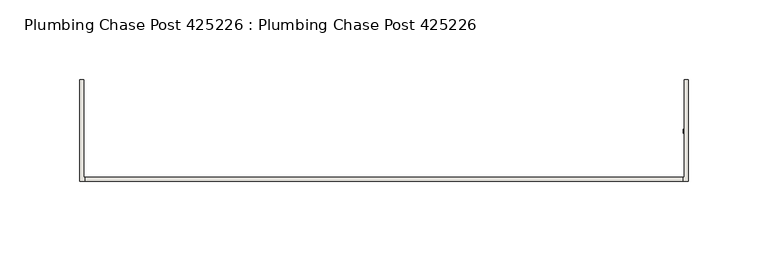
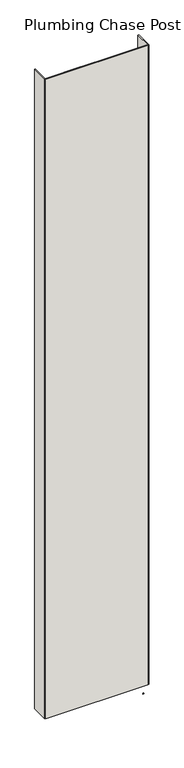
"""IFC4 building model written with IfcOpenShell, lengths in millimetres: wall geometry, Plumbing Chase Post 425226 : Plumbing Chase Post 425226."""

from ifc_helpers import new_model, si_unit, frame, origin, place, context, project, spatial, polyline, outline, extrude, source, transform, mapped, element, save


def plumbing_chase_post_425226_plumbing_chase_post_425226_0baff344(model_context):
    return source(origin(), model_context, "Body", "SweptSolid", [
        extrude(outline(polyline([(71801.968918, -43072.0636398), (71804.508918, -43072.0636398), (71804.508918, -43074.6036398), (71801.968918, -43074.6036398), (71801.968918, -43072.0636398)])), frame((0.0, 0.0, 4419.6), z_axis=(0.0, 0.0, 1.0), x_axis=(1.0, 0.0, 0.0)), (0.0, 0.0, 1.0), 2.54),
        extrude(outline(polyline([(71801.8126572, -43105.350289), (71426.1952728, -43105.350289), (71426.1952728, -43102.683797), (71801.8126572, -43102.683797), (71801.8126572, -43105.350289)])), frame((0.0, 0.0, 4474.8958), z_axis=(0.0, 0.0, 1.0), x_axis=(1.0, 0.0, 0.0)), (0.0, 0.0, 1.0), 2481.1482254),
        extrude(outline(polyline([(71801.8126572, -43105.350289), (71426.1952728, -43105.350289), (71426.1952728, -43102.683797), (71801.8126572, -43102.683797), (71801.8126572, -43105.350289)])), frame((0.0, 0.0, 4474.8958), z_axis=(0.0, 0.0, 1.0), x_axis=(1.0, 0.0, 0.0)), (0.0, 0.0, 1.0), 2481.1482254),
        extrude(outline(polyline([(71805.2667016, -43105.350289), (71671.9167016, -43105.350289), (71671.9167016, -43102.683797), (71802.6001842, -43102.683797), (71802.6001842, -43041.3418064), (71805.2667016, -43041.3418064), (71805.2667016, -43105.350289)])), frame((0.0, 0.0, 4474.8958), z_axis=(0.0, 0.0, 1.0), x_axis=(1.0, 0.0, 0.0)), (0.0, 0.0, 1.0), 2481.1482254),
        extrude(outline(polyline([(71805.2667016, -43105.350289), (71671.9167016, -43105.350289), (71671.9167016, -43102.683797), (71802.6001842, -43102.683797), (71802.6001842, -43041.3418064), (71805.2667016, -43041.3418064), (71805.2667016, -43105.350289)])), frame((0.0, 0.0, 4474.8958), z_axis=(0.0, 0.0, 1.0), x_axis=(1.0, 0.0, 0.0)), (0.0, 0.0, 1.0), 2481.1482254),
        extrude(outline(polyline([(71556.1160188, -43102.683797), (71556.1160188, -43105.350289), (71422.7660188, -43105.350289), (71422.7660188, -43041.3418064), (71425.4325108, -43041.3418064), (71425.4077204, -43102.683797), (71556.1160188, -43102.683797)])), frame((0.0, 0.0, 4474.8958), z_axis=(0.0, 0.0, 1.0), x_axis=(1.0, 0.0, 0.0)), (0.0, 0.0, 1.0), 2481.1482254),
        extrude(outline(polyline([(71556.1160188, -43102.683797), (71556.1160188, -43105.350289), (71422.7660188, -43105.350289), (71422.7660188, -43041.3418064), (71425.4325108, -43041.3418064), (71425.4077204, -43102.683797), (71556.1160188, -43102.683797)])), frame((0.0, 0.0, 4474.8958), z_axis=(0.0, 0.0, 1.0), x_axis=(1.0, 0.0, 0.0)), (0.0, 0.0, 1.0), 2481.1482254),
    ])


if __name__ == "__main__":
    model = new_model("IFC4")
    model_context = context("Model", 3, world=origin())
    ifc_project = project(units=[si_unit("LENGTHUNIT", "METRE", prefix="MILLI")], contexts=[model_context])
    site = spatial("IfcSite", under=ifc_project)
    building = spatial("IfcBuilding", under=site)
    placement = place(None, origin())
    plumbing_chase_post_425226_plumbing_chase_post_425226_shape = plumbing_chase_post_425226_plumbing_chase_post_425226_0baff344(model_context)
    element("IfcWall", 1, ObjectType="Plumbing Chase Post 425226 : Plumbing Chase Post 425226", at=placement, inside=building, context=model_context, shape_type="MappedRepresentation", body=[
        mapped(plumbing_chase_post_425226_plumbing_chase_post_425226_shape, transform((0.0, 0.0, 0.0), x_axis=(1.0, 0.0, 0.0), y_axis=(0.0, 1.0, 0.0), z_axis=(0.0, 0.0, 1.0))),
    ])
    save(model, "model.ifc")
